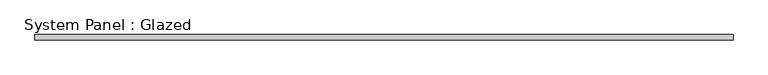
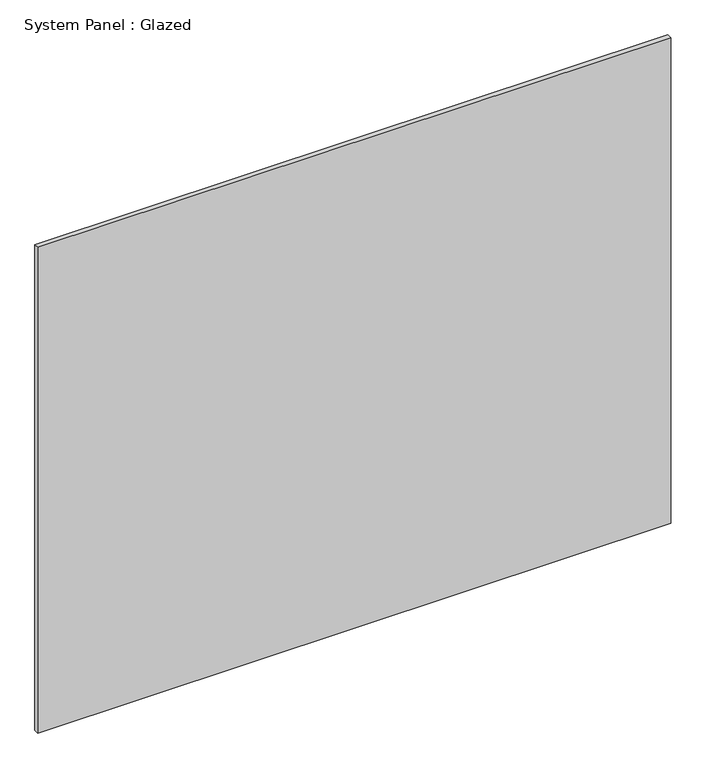
"""IFC4 building model written with IfcOpenShell, lengths in millimetres: plate geometry, System Panel : Glazed."""

import ifcopenshell
import ifcopenshell.guid

model = None  # the IFC model being written
_history = None  # IfcOwnerHistory: only IFC2X3 demands one
_inside = {}  # id of a spatial element -> (the spatial element, [elements in it])
_under = {}  # id of a project, library or spatial element -> (it, [spatial elements below it])
_declared = {}  # id of a project -> (the project, [libraries it declares])
_typed = {}  # id of a type object -> (the type object, [elements of that type])
_made_of = {}  # id of a material, layer set ... -> (it, [elements and type objects made of it])


def new_model(schema):
    """Start an empty IFC model of exactly this schema.

    Asked for "IFC4X3", IfcOpenShell would pick the latest addendum, in which some entities
    have other attributes; the version numbers below select the first issue.
    IFC2X3 requires an IfcOwnerHistory on every rooted entity: one is made here for all.
    """
    global model, _history
    if schema == "IFC4X3":
        model = ifcopenshell.file(schema_version=(4, 3, 0, 0))
    else:
        model = ifcopenshell.file(schema=schema)
    _inside.clear()
    _under.clear()
    _declared.clear()
    _typed.clear()
    _made_of.clear()
    _history = None
    if model.schema == "IFC2X3":
        org = make("IfcOrganization", Name="unknown")
        user = make(
            "IfcPersonAndOrganization",
            ThePerson=make("IfcPerson", FamilyName="unknown"),
            TheOrganization=org,
        )
        app = make(
            "IfcApplication",
            ApplicationDeveloper=org,
            Version="unknown",
            ApplicationFullName="unknown",
            ApplicationIdentifier="unknown",
        )
        _history = make(
            "IfcOwnerHistory",
            OwningUser=user,
            OwningApplication=app,
            ChangeAction="ADDED",
            CreationDate=0,
        )
    return model


def make(cls, **values):
    """One entity of the class cls with the attributes given. An attribute that is None is left unset."""
    return model.create_entity(
        cls, **{name: value for name, value in values.items() if value is not None}
    )


def rooted(cls, **values):
    """An entity with a GlobalId (a new one), such as an element, a storey or a relation."""
    return make(cls, GlobalId=ifcopenshell.guid.new(), OwnerHistory=_history, **values)


def si_unit(unit_type, name, prefix=None):
    """IfcSIUnit, for example si_unit("LENGTHUNIT", "METRE", prefix="MILLI")."""
    return make("IfcSIUnit", UnitType=unit_type, Prefix=prefix, Name=name)


def assignment(units):
    """IfcUnitAssignment: the units of a project."""
    return None if units is None else make("IfcUnitAssignment", Units=units)


def point(xyz):
    """IfcCartesianPoint."""
    return None if xyz is None else make("IfcCartesianPoint", Coordinates=xyz)


def direction(xyz):
    """IfcDirection."""
    return None if xyz is None else make("IfcDirection", DirectionRatios=xyz)


def frame(location, z_axis=None, x_axis=None):
    """IfcAxis2Placement3D, a coordinate frame: its origin and axes. An axis left out is left unset."""
    return make(
        "IfcAxis2Placement3D",
        Location=point(location),
        Axis=direction(z_axis),
        RefDirection=direction(x_axis),
    )


def origin():
    """The frame at (0, 0, 0) with its axes left unset."""
    return frame((0.0, 0.0, 0.0))


def origin_with_axes():
    """The frame at (0, 0, 0) with the z axis (0, 0, 1) and the x axis (1, 0, 0) written out."""
    return frame((0.0, 0.0, 0.0), z_axis=(0.0, 0.0, 1.0), x_axis=(1.0, 0.0, 0.0))


def place(relative_to, where):
    """IfcLocalPlacement: puts the frame where relative to a parent placement (None: the world)."""
    return make(
        "IfcLocalPlacement", PlacementRelTo=relative_to, RelativePlacement=where
    )


def context(
    kind, dimensions, precision=None, world=None, true_north=None, identifier=None
):
    """IfcGeometricRepresentationContext, for example the 3D "Model" context."""
    return make(
        "IfcGeometricRepresentationContext",
        ContextIdentifier=identifier,
        ContextType=kind,
        CoordinateSpaceDimension=dimensions,
        Precision=precision,
        WorldCoordinateSystem=world,
        TrueNorth=true_north,
    )


def project(units=None, contexts=None):
    """IfcProject with its units and contexts."""
    return rooted(
        "IfcProject",
        Name="project",
        RepresentationContexts=contexts,
        UnitsInContext=assignment(units),
    )


def spatial(cls, under=None, at=None, **own):
    """A site, building, storey or space (cls), placed at a placement, below another one or the project."""
    s = rooted(cls, ObjectPlacement=at, **own)
    if under is not None:
        _under.setdefault(under.id(), (under, []))[1].append(s)
    return s


def polyline(points):
    """IfcPolyline through the points."""
    return make("IfcPolyline", Points=[point(p) for p in points])


def outline(outer, holes=None, kind="AREA"):
    """IfcArbitraryClosedProfileDef: a profile drawn as a closed curve; with holes, ...WithVoids."""
    if holes is None:
        return make("IfcArbitraryClosedProfileDef", ProfileType=kind, OuterCurve=outer)
    return make(
        "IfcArbitraryProfileDefWithVoids",
        ProfileType=kind,
        OuterCurve=outer,
        InnerCurves=holes,
    )


def extrude(swept, where, along, depth):
    """IfcExtrudedAreaSolid: the profile swept, set in the frame where, extruded along a direction by depth."""
    return make(
        "IfcExtrudedAreaSolid",
        SweptArea=swept,
        Position=where,
        ExtrudedDirection=direction(along),
        Depth=depth,
    )


def shape(context_of_items, identifier, shape_type, items):
    """IfcShapeRepresentation: the items that make up one representation, for example the "Body"."""
    return make(
        "IfcShapeRepresentation",
        ContextOfItems=context_of_items,
        RepresentationIdentifier=identifier,
        RepresentationType=shape_type,
        Items=items,
    )


def source(mapping_origin, context_of_items, identifier, shape_type, items):
    """IfcRepresentationMap: a shape defined once, which mapped items show again and again."""
    return make(
        "IfcRepresentationMap",
        MappingOrigin=mapping_origin,
        MappedRepresentation=shape(context_of_items, identifier, shape_type, items),
    )


def transform(
    local_origin,
    x_axis=None,
    y_axis=None,
    z_axis=None,
    scale=None,
    scale2=None,
    scale3=None,
    uniform=True,
):
    """IfcCartesianTransformationOperator3D, or its non-uniform kind. x_axis, y_axis, z_axis: its Axis1, 2, 3."""
    if uniform:
        return make(
            "IfcCartesianTransformationOperator3D",
            Axis1=direction(x_axis),
            Axis2=direction(y_axis),
            LocalOrigin=point(local_origin),
            Scale=scale,
            Axis3=direction(z_axis),
        )
    return make(
        "IfcCartesianTransformationOperator3DnonUniform",
        Axis1=direction(x_axis),
        Axis2=direction(y_axis),
        LocalOrigin=point(local_origin),
        Scale=scale,
        Axis3=direction(z_axis),
        Scale2=scale2,
        Scale3=scale3,
    )


def mapped(mapping_source, mapping_target):
    """IfcMappedItem: shows the shape of a source again, moved by a transform."""
    return make(
        "IfcMappedItem", MappingSource=mapping_source, MappingTarget=mapping_target
    )


def made_of(thing, what):
    """Note that an element or type object is made of a material, layer set ...; save() writes the relation."""
    if what is not None:
        _made_of.setdefault(what.id(), (what, []))[1].append(thing)
    return thing


def element(
    cls,
    number,
    at=None,
    inside=None,
    cuts=None,
    type_object=None,
    material=None,
    context=None,
    identifier="Body",
    shape_type=None,
    held_by="IfcProductDefinitionShape",
    body=None,
    shapes=None,
    **own,
):
    """One element of the class cls, such as IfcWall. Its Tag is "e" and its number.

    at: its placement. inside: the storey or other place that contains it. cuts: it is an
    opening in that element (IfcRelVoidsElement). A single representation is given by context,
    identifier, shape_type and body (its items); several are given by shapes. held_by: the class
    of the entity that holds the representations. save() writes the other relations.
    """
    e = rooted(cls, Tag="e%d" % number, ObjectPlacement=at, **own)
    if body is not None:
        shapes = [shape(context, identifier, shape_type, body)]
    if shapes is not None:
        e.Representation = make(held_by, Representations=shapes)
    if inside is not None:
        _inside.setdefault(inside.id(), (inside, []))[1].append(e)
    if cuts is not None:
        rooted(
            "IfcRelVoidsElement", RelatingBuildingElement=cuts, RelatedOpeningElement=e
        )
    if type_object is not None:
        _typed.setdefault(type_object.id(), (type_object, []))[1].append(e)
    return made_of(e, material)


def aggregate(whole, parts):
    """IfcRelAggregates: a whole, such as a stair, and the parts it consists of."""
    return rooted("IfcRelAggregates", RelatingObject=whole, RelatedObjects=parts)


def save(model, path):
    """Write the relations noted so far, then the file.

    IfcRelAggregates (storeys below a building ...), IfcRelContainedInSpatialStructure (elements
    in a storey), IfcRelDefinesByType, IfcRelAssociatesMaterial and IfcRelDeclares: one each for
    every whole, place, type object, material and project.
    """
    for whole, parts in _under.values():
        aggregate(whole, parts)
    for where, things in _inside.values():
        rooted(
            "IfcRelContainedInSpatialStructure",
            RelatedElements=things,
            RelatingStructure=where,
        )
    for kind, things in _typed.values():
        rooted("IfcRelDefinesByType", RelatedObjects=things, RelatingType=kind)
    for what, things in _made_of.values():
        rooted("IfcRelAssociatesMaterial", RelatedObjects=things, RelatingMaterial=what)
    for by, libraries in _declared.values():
        rooted("IfcRelDeclares", RelatingContext=by, RelatedDefinitions=libraries)
    model.write(path)


def system_panel_glazed_9e822405(model_context):
    return source(origin(), model_context, "Body", "SweptSolid", [
        extrude(outline(polyline([(1657.518424, 24.5), (-1657.518424, 24.5), (-1657.518424, 49.5), (1657.518424, 49.5), (1657.518424, 24.5)])), origin_with_axes(), (0.0, 0.0, 1.0), 2690.0),
    ])


if __name__ == "__main__":
    model = new_model("IFC4")
    model_context = context("Model", 3, world=origin())
    ifc_project = project(units=[si_unit("LENGTHUNIT", "METRE", prefix="MILLI")], contexts=[model_context])
    site = spatial("IfcSite", under=ifc_project)
    building = spatial("IfcBuilding", under=site)
    placement = place(None, origin())
    system_panel_glazed_shape = system_panel_glazed_9e822405(model_context)
    element("IfcPlate", 1, ObjectType="System Panel : Glazed", at=placement, inside=building, context=model_context, shape_type="MappedRepresentation", body=[
        mapped(system_panel_glazed_shape, transform((0.0, 0.0, 0.0), x_axis=(1.0, 0.0, 0.0), y_axis=(0.0, 1.0, 0.0), z_axis=(0.0, 0.0, 1.0))),
    ])
    save(model, "model.ifc")
